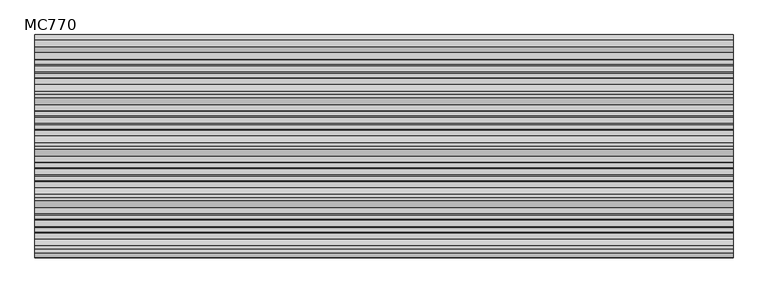
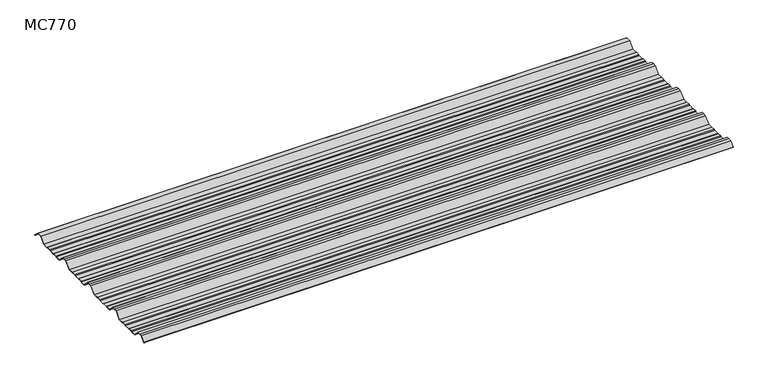
"""IFC4 building model written with IfcOpenShell, lengths in millimetres: beam geometry, MC770."""

import ifcopenshell
import ifcopenshell.guid

model = None  # the IFC model being written
_history = None  # IfcOwnerHistory: only IFC2X3 demands one
_inside = {}  # id of a spatial element -> (the spatial element, [elements in it])
_under = {}  # id of a project, library or spatial element -> (it, [spatial elements below it])
_declared = {}  # id of a project -> (the project, [libraries it declares])
_typed = {}  # id of a type object -> (the type object, [elements of that type])
_made_of = {}  # id of a material, layer set ... -> (it, [elements and type objects made of it])


def new_model(schema):
    """Start an empty IFC model of exactly this schema.

    Asked for "IFC4X3", IfcOpenShell would pick the latest addendum, in which some entities
    have other attributes; the version numbers below select the first issue.
    IFC2X3 requires an IfcOwnerHistory on every rooted entity: one is made here for all.
    """
    global model, _history
    if schema == "IFC4X3":
        model = ifcopenshell.file(schema_version=(4, 3, 0, 0))
    else:
        model = ifcopenshell.file(schema=schema)
    _inside.clear()
    _under.clear()
    _declared.clear()
    _typed.clear()
    _made_of.clear()
    _history = None
    if model.schema == "IFC2X3":
        org = make("IfcOrganization", Name="unknown")
        user = make(
            "IfcPersonAndOrganization",
            ThePerson=make("IfcPerson", FamilyName="unknown"),
            TheOrganization=org,
        )
        app = make(
            "IfcApplication",
            ApplicationDeveloper=org,
            Version="unknown",
            ApplicationFullName="unknown",
            ApplicationIdentifier="unknown",
        )
        _history = make(
            "IfcOwnerHistory",
            OwningUser=user,
            OwningApplication=app,
            ChangeAction="ADDED",
            CreationDate=0,
        )
    return model


def make(cls, **values):
    """One entity of the class cls with the attributes given. An attribute that is None is left unset."""
    return model.create_entity(
        cls, **{name: value for name, value in values.items() if value is not None}
    )


def rooted(cls, **values):
    """An entity with a GlobalId (a new one), such as an element, a storey or a relation."""
    return make(cls, GlobalId=ifcopenshell.guid.new(), OwnerHistory=_history, **values)


def si_unit(unit_type, name, prefix=None):
    """IfcSIUnit, for example si_unit("LENGTHUNIT", "METRE", prefix="MILLI")."""
    return make("IfcSIUnit", UnitType=unit_type, Prefix=prefix, Name=name)


def assignment(units):
    """IfcUnitAssignment: the units of a project."""
    return None if units is None else make("IfcUnitAssignment", Units=units)


def point(xyz):
    """IfcCartesianPoint."""
    return None if xyz is None else make("IfcCartesianPoint", Coordinates=xyz)


def direction(xyz):
    """IfcDirection."""
    return None if xyz is None else make("IfcDirection", DirectionRatios=xyz)


def frame(location, z_axis=None, x_axis=None):
    """IfcAxis2Placement3D, a coordinate frame: its origin and axes. An axis left out is left unset."""
    return make(
        "IfcAxis2Placement3D",
        Location=point(location),
        Axis=direction(z_axis),
        RefDirection=direction(x_axis),
    )


def frame_2d(location, x_axis=None):
    """IfcAxis2Placement2D, a coordinate frame in the plane: its origin and x axis."""
    return make(
        "IfcAxis2Placement2D", Location=point(location), RefDirection=direction(x_axis)
    )


def origin():
    """The frame at (0, 0, 0) with its axes left unset."""
    return frame((0.0, 0.0, 0.0))


def place(relative_to, where):
    """IfcLocalPlacement: puts the frame where relative to a parent placement (None: the world)."""
    return make(
        "IfcLocalPlacement", PlacementRelTo=relative_to, RelativePlacement=where
    )


def context(
    kind, dimensions, precision=None, world=None, true_north=None, identifier=None
):
    """IfcGeometricRepresentationContext, for example the 3D "Model" context."""
    return make(
        "IfcGeometricRepresentationContext",
        ContextIdentifier=identifier,
        ContextType=kind,
        CoordinateSpaceDimension=dimensions,
        Precision=precision,
        WorldCoordinateSystem=world,
        TrueNorth=true_north,
    )


def project(units=None, contexts=None):
    """IfcProject with its units and contexts."""
    return rooted(
        "IfcProject",
        Name="project",
        RepresentationContexts=contexts,
        UnitsInContext=assignment(units),
    )


def spatial(cls, under=None, at=None, **own):
    """A site, building, storey or space (cls), placed at a placement, below another one or the project."""
    s = rooted(cls, ObjectPlacement=at, **own)
    if under is not None:
        _under.setdefault(under.id(), (under, []))[1].append(s)
    return s


def polyline(points):
    """IfcPolyline through the points."""
    return make("IfcPolyline", Points=[point(p) for p in points])


def circle_curve(where, radius):
    """IfcCircle in the frame where."""
    return make("IfcCircle", Position=where, Radius=radius)


def trimmed(basis, trim1, trim2, sense, master):
    """IfcTrimmedCurve: the piece of a basis curve between two trims."""
    return make(
        "IfcTrimmedCurve",
        BasisCurve=basis,
        Trim1=trim1,
        Trim2=trim2,
        SenseAgreement=sense,
        MasterRepresentation=master,
    )


def segment(curve, same_sense, transition):
    """IfcCompositeCurveSegment."""
    return make(
        "IfcCompositeCurveSegment",
        Transition=transition,
        SameSense=same_sense,
        ParentCurve=curve,
    )


def composite_curve(segments, self_intersect=None):
    """IfcCompositeCurve: segments joined end to end."""
    return make("IfcCompositeCurve", Segments=segments, SelfIntersect=self_intersect)


def outline(outer, holes=None, kind="AREA"):
    """IfcArbitraryClosedProfileDef: a profile drawn as a closed curve; with holes, ...WithVoids."""
    if holes is None:
        return make("IfcArbitraryClosedProfileDef", ProfileType=kind, OuterCurve=outer)
    return make(
        "IfcArbitraryProfileDefWithVoids",
        ProfileType=kind,
        OuterCurve=outer,
        InnerCurves=holes,
    )


def extrude(swept, where, along, depth):
    """IfcExtrudedAreaSolid: the profile swept, set in the frame where, extruded along a direction by depth."""
    return make(
        "IfcExtrudedAreaSolid",
        SweptArea=swept,
        Position=where,
        ExtrudedDirection=direction(along),
        Depth=depth,
    )


def shape(context_of_items, identifier, shape_type, items):
    """IfcShapeRepresentation: the items that make up one representation, for example the "Body"."""
    return make(
        "IfcShapeRepresentation",
        ContextOfItems=context_of_items,
        RepresentationIdentifier=identifier,
        RepresentationType=shape_type,
        Items=items,
    )


def source(mapping_origin, context_of_items, identifier, shape_type, items):
    """IfcRepresentationMap: a shape defined once, which mapped items show again and again."""
    return make(
        "IfcRepresentationMap",
        MappingOrigin=mapping_origin,
        MappedRepresentation=shape(context_of_items, identifier, shape_type, items),
    )


def transform(
    local_origin,
    x_axis=None,
    y_axis=None,
    z_axis=None,
    scale=None,
    scale2=None,
    scale3=None,
    uniform=True,
):
    """IfcCartesianTransformationOperator3D, or its non-uniform kind. x_axis, y_axis, z_axis: its Axis1, 2, 3."""
    if uniform:
        return make(
            "IfcCartesianTransformationOperator3D",
            Axis1=direction(x_axis),
            Axis2=direction(y_axis),
            LocalOrigin=point(local_origin),
            Scale=scale,
            Axis3=direction(z_axis),
        )
    return make(
        "IfcCartesianTransformationOperator3DnonUniform",
        Axis1=direction(x_axis),
        Axis2=direction(y_axis),
        LocalOrigin=point(local_origin),
        Scale=scale,
        Axis3=direction(z_axis),
        Scale2=scale2,
        Scale3=scale3,
    )


def mapped(mapping_source, mapping_target):
    """IfcMappedItem: shows the shape of a source again, moved by a transform."""
    return make(
        "IfcMappedItem", MappingSource=mapping_source, MappingTarget=mapping_target
    )


def made_of(thing, what):
    """Note that an element or type object is made of a material, layer set ...; save() writes the relation."""
    if what is not None:
        _made_of.setdefault(what.id(), (what, []))[1].append(thing)
    return thing


def element(
    cls,
    number,
    at=None,
    inside=None,
    cuts=None,
    type_object=None,
    material=None,
    context=None,
    identifier="Body",
    shape_type=None,
    held_by="IfcProductDefinitionShape",
    body=None,
    shapes=None,
    **own,
):
    """One element of the class cls, such as IfcWall. Its Tag is "e" and its number.

    at: its placement. inside: the storey or other place that contains it. cuts: it is an
    opening in that element (IfcRelVoidsElement). A single representation is given by context,
    identifier, shape_type and body (its items); several are given by shapes. held_by: the class
    of the entity that holds the representations. save() writes the other relations.
    """
    e = rooted(cls, Tag="e%d" % number, ObjectPlacement=at, **own)
    if body is not None:
        shapes = [shape(context, identifier, shape_type, body)]
    if shapes is not None:
        e.Representation = make(held_by, Representations=shapes)
    if inside is not None:
        _inside.setdefault(inside.id(), (inside, []))[1].append(e)
    if cuts is not None:
        rooted(
            "IfcRelVoidsElement", RelatingBuildingElement=cuts, RelatedOpeningElement=e
        )
    if type_object is not None:
        _typed.setdefault(type_object.id(), (type_object, []))[1].append(e)
    return made_of(e, material)


def aggregate(whole, parts):
    """IfcRelAggregates: a whole, such as a stair, and the parts it consists of."""
    return rooted("IfcRelAggregates", RelatingObject=whole, RelatedObjects=parts)


def save(model, path):
    """Write the relations noted so far, then the file.

    IfcRelAggregates (storeys below a building ...), IfcRelContainedInSpatialStructure (elements
    in a storey), IfcRelDefinesByType, IfcRelAssociatesMaterial and IfcRelDeclares: one each for
    every whole, place, type object, material and project.
    """
    for whole, parts in _under.values():
        aggregate(whole, parts)
    for where, things in _inside.values():
        rooted(
            "IfcRelContainedInSpatialStructure",
            RelatedElements=things,
            RelatingStructure=where,
        )
    for kind, things in _typed.values():
        rooted("IfcRelDefinesByType", RelatedObjects=things, RelatingType=kind)
    for what, things in _made_of.values():
        rooted("IfcRelAssociatesMaterial", RelatedObjects=things, RelatingMaterial=what)
    for by, libraries in _declared.values():
        rooted("IfcRelDeclares", RelatingContext=by, RelatedDefinitions=libraries)
    model.write(path)


def mc770_7d43dcef(model_context):
    return source(origin(), model_context, "Body", "SweptSolid", [
        extrude(outline(composite_curve([segment(polyline([(-155.0000967, -25.7896475), (-180.574511, 0.2103525), (-192.5, 0.2103525), (-204.425489, 0.2103525), (-229.9999033, -25.7896475), (-252.6975582, -25.7896475), (-255.9126024, -23.7494212), (-272.3405937, -23.7494212), (-276.7209114, -25.7896475), (-300.7790886, -25.7896475), (-305.1594063, -23.7494212), (-321.5873976, -23.7494212), (-324.8024418, -25.7896475), (-347.5000967, -25.7896475), (-373.074511, 0.2103525), (-385.0, 0.2103525), (-396.925489, 0.2103525), (-422.4999033, -25.7896475), (-445.1975582, -25.7896475), (-448.4126024, -23.7494212), (-464.8405937, -23.7494212), (-469.2209114, -25.7896475), (-493.2790886, -25.7896475), (-497.6594063, -23.7494212), (-514.0873976, -23.7494212), (-517.3024418, -25.7896475), (-540.0000967, -25.7896475), (-565.574511, 0.2103525), (-577.5, 0.2103525), (-589.425489, 0.2103525), (-614.9999033, -25.7896475), (-637.6975582, -25.7896475), (-640.9126024, -23.7494212), (-657.3405937, -23.7494212), (-661.7209114, -25.7896475), (-685.7790886, -25.7896475), (-690.1594063, -23.7494212), (-706.5873976, -23.7494212), (-709.8024418, -25.7896475), (-732.5000967, -25.7896475), (-758.074511, 0.2103525), (-770.0, 0.2103525), (-781.925489, 0.2103525), (-801.261749, -19.4476836)]), True, "CONTINUOUS"), segment(trimmed(circle_curve(frame_2d((-801.651258, -19.0516927)), 0.5554513), [point((-801.261749, -19.4476836))], [point((-802.0472489, -18.6621836))], False, "CARTESIAN"), True, "CONTINUOUS"), segment(polyline([(-802.0472489, -18.6621836), (-782.5, 1.2103525), (-770.0, 1.2103525), (-757.5, 1.2103525), (-731.9255858, -24.7896475), (-710.0929563, -24.7896475), (-706.8779121, -22.7494212), (-689.9379428, -22.7494212), (-685.5576251, -24.7896475), (-661.9423749, -24.7896475), (-657.5620572, -22.7494212), (-640.6220879, -22.7494212), (-637.4070437, -24.7896475), (-615.5744142, -24.7896475), (-590.0, 1.2103525), (-577.5, 1.2103525), (-565.0, 1.2103525), (-539.4255858, -24.7896475), (-517.5929563, -24.7896475), (-514.3779121, -22.7494212), (-497.4379428, -22.7494212), (-493.0576251, -24.7896475), (-469.4423749, -24.7896475), (-465.0620572, -22.7494212), (-448.1220879, -22.7494212), (-444.9070437, -24.7896475), (-423.0744142, -24.7896475), (-397.5, 1.2103525), (-385.0, 1.2103525), (-372.5, 1.2103525), (-346.9255858, -24.7896475), (-325.0929563, -24.7896475), (-321.8779121, -22.7494212), (-304.9379428, -22.7494212), (-300.5576251, -24.7896475), (-276.9423749, -24.7896475), (-272.5620572, -22.7494212), (-255.6220879, -22.7494212), (-252.4070437, -24.7896475), (-230.5744142, -24.7896475), (-205.0, 1.2103525), (-192.5, 1.2103525), (-180.0, 1.2103525), (-154.4255858, -24.7896475), (-132.5929563, -24.7896475), (-129.3779121, -22.7494212), (-112.4379428, -22.7494212), (-108.0576251, -24.7896475), (-84.4423749, -24.7896475), (-80.0620572, -22.7494212), (-63.1220879, -22.7494212), (-59.9070437, -24.7896475), (-35.113585, -24.7896475), (-11.5064334, -0.7896475), (11.5064334, -0.7896475), (31.651812, -21.2702668)]), True, "CONTINUOUS"), segment(trimmed(circle_curve(frame_2d((31.295329, -21.6209146)), 0.500034), [point((31.651812, -21.2702668))], [point((30.9446811, -21.9773977))], False, "CARTESIAN"), True, "CONTINUOUS"), segment(polyline([(30.9446811, -21.9773977), (11.0873778, -1.7896475), (-11.0873778, -1.7896475), (-34.6945294, -25.7896475), (-60.1975582, -25.7896475), (-63.4126024, -23.7494212), (-79.8405937, -23.7494212), (-84.2209114, -25.7896475), (-108.2790886, -25.7896475), (-112.6594063, -23.7494212), (-129.0873976, -23.7494212), (-132.3024418, -25.7896475), (-155.0000967, -25.7896475)]), True, "CONTINUOUS")], self_intersect=False)), frame((-1303.2366108, 0.0, 0.0), z_axis=(1.0, 0.0, 0.0), x_axis=(0.0, 1.0, 0.0)), (0.0, 0.0, 1.0), 2606.4732216),
    ])


if __name__ == "__main__":
    model = new_model("IFC4")
    model_context = context("Model", 3, world=origin())
    ifc_project = project(units=[si_unit("LENGTHUNIT", "METRE", prefix="MILLI")], contexts=[model_context])
    site = spatial("IfcSite", under=ifc_project)
    building = spatial("IfcBuilding", under=site)
    placement = place(None, origin())
    mc770_shape = mc770_7d43dcef(model_context)
    element("IfcBeam", 1, ObjectType="MC770", at=placement, inside=building, context=model_context, shape_type="MappedRepresentation", body=[
        mapped(mc770_shape, transform((0.0, 0.0, 0.0), x_axis=(1.0, 0.0, 0.0), y_axis=(0.0, 1.0, 0.0), z_axis=(0.0, 0.0, 1.0))),
    ])
    save(model, "model.ifc")
